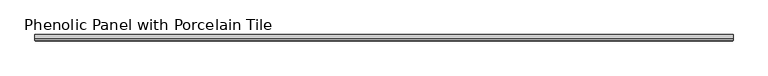
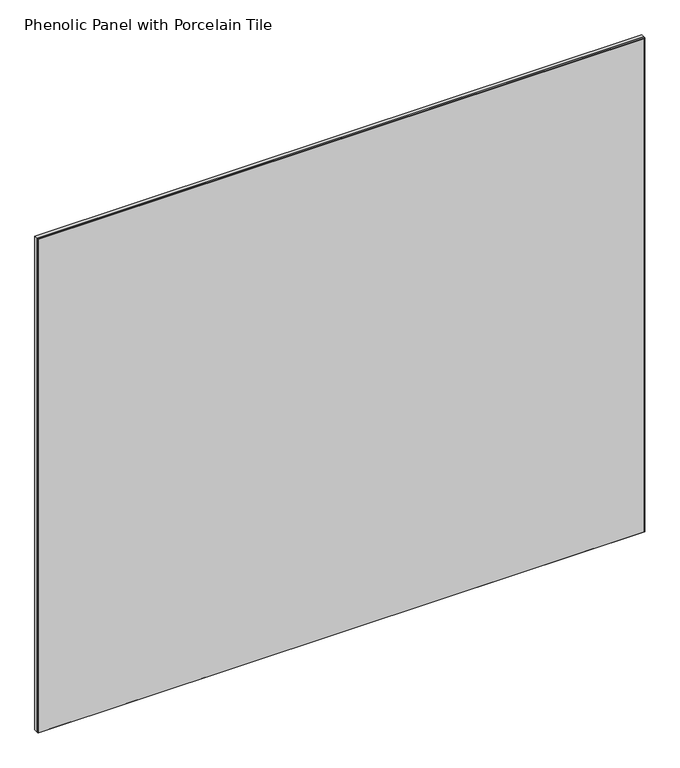
"""IFC4 building model written with IfcOpenShell, lengths in millimetres: proxy geometry, Phenolic Panel with Porcelain Tile."""

from ifc_helpers import new_model, si_unit, origin, origin_with_axes, place, context, project, spatial, polyline, outline, extrude, faceted_brep, source, transform, mapped, element, save


def phenolic_panel_with_porcelain_tile_316995e9(model_context):
    return source(origin(), model_context, "Body", "SolidModel", [
        faceted_brep([(-73.025, -3.175, 914.4), (-73.025, -5.55625, 914.4), (990.6, -5.5546839, 914.4), (990.6, -3.175, 914.4), (-73.025, -3.175, 0.0), (990.6, -3.175, 0.0), (990.6, -5.55625, 0.0), (-73.025, -5.5571697, 0.0), (-72.23125, -6.35, 913.6046839), (-72.23125, -6.35, 0.7926621), (989.80625, -6.35, 0.7926621), (989.80625, -6.35, 913.6046839)], [[[0, 1, 2, 3]], [[4, 5, 6, 7]], [[1, 0, 4, 7]], [[8, 9, 10, 11]], [[3, 2, 6, 5]], [[1, 7, 9, 8]], [[6, 2, 11, 10]], [[2, 1, 8, 11]], [[7, 6, 10, 9]], [[0, 3, 5, 4]]]),
        extrude(outline(polyline([(990.6, 3.175), (990.6, -3.175), (-73.025, -3.175), (-73.025, 3.175), (990.6, 3.175)])), origin_with_axes(), (0.0, 0.0, 1.0), 914.4),
    ])


if __name__ == "__main__":
    model = new_model("IFC4")
    model_context = context("Model", 3, world=origin())
    ifc_project = project(units=[si_unit("LENGTHUNIT", "METRE", prefix="MILLI")], contexts=[model_context])
    site = spatial("IfcSite", under=ifc_project)
    building = spatial("IfcBuilding", under=site)
    placement = place(None, origin())
    phenolic_panel_with_porcelain_tile_shape = phenolic_panel_with_porcelain_tile_316995e9(model_context)
    element("IfcBuildingElementProxy", 1, Name="Phenolic Panel with Porcelain Tile", ObjectType="Phenolic Panel with Porcelain Tile", at=placement, inside=building, context=model_context, shape_type="MappedRepresentation", body=[
        mapped(phenolic_panel_with_porcelain_tile_shape, transform((0.0, 0.0, 0.0), x_axis=(1.0, 0.0, 0.0), y_axis=(0.0, 1.0, 0.0), z_axis=(0.0, 0.0, 1.0))),
    ])
    save(model, "model.ifc")
